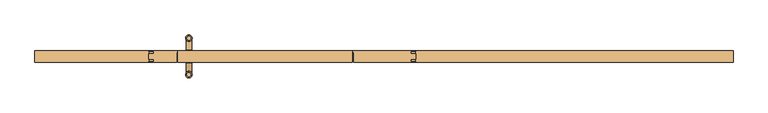
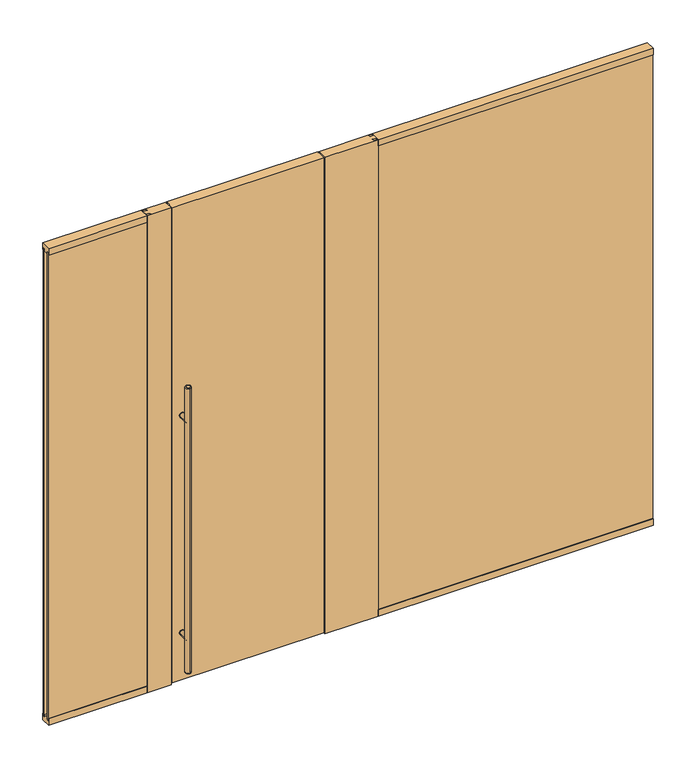
"""IFC4 building model written with IfcOpenShell, lengths in millimetres: door geometry."""

from ifc_helpers import new_model, si_unit, point, frame, frame_2d, origin, origin_with_axes, place, context, project, spatial, polyline, circle_curve, ellipse_curve, trimmed, segment, composite_curve, outline, extrude, faceted_brep, source, transform, mapped, element, save
from ifc_brep_helpers import plane_surface, cylinder_surface, revolved_surface, advanced_brep


def door_1d39785b(model_context):
    return source(origin(), model_context, "Body", "SolidModel", [
        extrude(outline(composite_curve([segment(trimmed(circle_curve(frame_2d((312.7375, -1022.35)), 15.875), [point((312.7375, -1006.475))], [point((312.7375, -1038.225))], False, "CARTESIAN"), True, "CONTINUOUS"), segment(trimmed(circle_curve(frame_2d((312.7375, -1022.35)), 15.875), [point((312.7375, -1038.225))], [point((312.7375, -1006.475))], False, "CARTESIAN"), True, "CONTINUOUS")], self_intersect=False)), frame((0.0, 30.1625, 0.0), z_axis=(0.0, 1.0, 0.0), x_axis=(0.0, 0.0, 1.0)), (0.0, 0.0, 1.0), 3.175),
        extrude(outline(composite_curve([segment(trimmed(circle_curve(frame_2d((1703.3875, -1022.35)), 15.875), [point((1703.3875, -1038.225))], [point((1703.3875, -1006.475))], False, "CARTESIAN"), True, "CONTINUOUS"), segment(trimmed(circle_curve(frame_2d((1703.3875, -1022.35)), 15.875), [point((1703.3875, -1006.475))], [point((1703.3875, -1038.225))], False, "CARTESIAN"), True, "CONTINUOUS")], self_intersect=False)), frame((0.0, 30.1625, 0.0), z_axis=(0.0, 1.0, 0.0), x_axis=(0.0, 0.0, 1.0)), (0.0, 0.0, 1.0), 3.175),
        extrude(outline(composite_curve([segment(trimmed(circle_curve(frame_2d((312.7375, -1022.35)), 15.875), [point((312.7375, -1006.475))], [point((312.7375, -1038.225))], False, "CARTESIAN"), True, "CONTINUOUS"), segment(trimmed(circle_curve(frame_2d((312.7375, -1022.35)), 15.875), [point((312.7375, -1038.225))], [point((312.7375, -1006.475))], False, "CARTESIAN"), True, "CONTINUOUS")], self_intersect=False)), frame((0.0, -33.3375, 0.0), z_axis=(0.0, 1.0, 0.0), x_axis=(0.0, 0.0, 1.0)), (0.0, 0.0, 1.0), 3.175),
        extrude(outline(composite_curve([segment(trimmed(circle_curve(frame_2d((1703.3875, -1022.35)), 15.875), [point((1703.3875, -1006.475))], [point((1703.3875, -1038.225))], False, "CARTESIAN"), True, "CONTINUOUS"), segment(trimmed(circle_curve(frame_2d((1703.3875, -1022.35)), 15.875), [point((1703.3875, -1038.225))], [point((1703.3875, -1006.475))], False, "CARTESIAN"), True, "CONTINUOUS")], self_intersect=False)), frame((0.0, -33.3375, 0.0), z_axis=(0.0, 1.0, 0.0), x_axis=(0.0, 0.0, 1.0)), (0.0, 0.0, 1.0), 3.175),
        extrude(outline(composite_curve([segment(trimmed(circle_curve(frame_2d((312.7375, -1022.35)), 14.2875), [point((312.7375, -1036.6375))], [point((312.7375, -1008.0625))], False, "CARTESIAN"), True, "CONTINUOUS"), segment(trimmed(circle_curve(frame_2d((312.7375, -1022.35)), 14.2875), [point((312.7375, -1008.0625))], [point((312.7375, -1036.6375))], False, "CARTESIAN"), True, "CONTINUOUS")], self_intersect=False)), frame((0.0, -95.25, 0.0), z_axis=(0.0, 1.0, 0.0), x_axis=(0.0, 0.0, 1.0)), (0.0, 0.0, 1.0), 65.0875),
        extrude(outline(composite_curve([segment(trimmed(circle_curve(frame_2d((1703.3875, -1022.35)), 14.2875), [point((1703.3875, -1036.6375))], [point((1703.3875, -1008.0625))], False, "CARTESIAN"), True, "CONTINUOUS"), segment(trimmed(circle_curve(frame_2d((1703.3875, -1022.35)), 14.2875), [point((1703.3875, -1008.0625))], [point((1703.3875, -1036.6375))], False, "CARTESIAN"), True, "CONTINUOUS")], self_intersect=False)), frame((0.0, -95.25, 0.0), z_axis=(0.0, 1.0, 0.0), x_axis=(0.0, 0.0, 1.0)), (0.0, 0.0, 1.0), 65.0875),
        advanced_brep(
        [(-1022.35, 84.455, 1924.05), (-1022.35, 106.045, 1924.05), (-1022.35, 106.045, 95.25), (-1022.35, 84.455, 95.25), (-1022.35, 112.395, 101.6), (-1022.35, 78.105, 101.6), (-1022.35, 78.105, 1917.7), (-1022.35, 112.395, 1917.7)],
        [
            (0, 1, circle_curve(frame((-1022.35, 95.25, 1924.05), z_axis=(0.0, 0.0, 1.0), x_axis=(0.0, -1.0, 0.0)), 10.795)),
            (1, 0, circle_curve(frame((-1022.35, 95.25, 1924.05), z_axis=(0.0, 0.0, 1.0), x_axis=(0.0, -1.0, 0.0)), 10.795)),
            (2, 3, circle_curve(frame((-1022.35, 95.25, 95.25), z_axis=(0.0, 0.0, -1.0), x_axis=(0.0, -1.0, 0.0)), 10.795)),
            (3, 2, circle_curve(frame((-1022.35, 95.25, 95.25), z_axis=(0.0, 0.0, -1.0), x_axis=(0.0, -1.0, 0.0)), 10.795)),
            (4, 5, circle_curve(frame((-1022.35, 95.25, 101.6), z_axis=(0.0, 0.0, 1.0), x_axis=(0.0, -1.0, 0.0)), 17.145)),
            (5, 6),
            (6, 7, circle_curve(frame((-1022.35, 95.25, 1917.7), z_axis=(0.0, 0.0, -1.0), x_axis=(0.0, -1.0, 0.0)), 17.145)),
            (7, 4),
            (5, 4, circle_curve(frame((-1022.35, 95.25, 101.6), z_axis=(0.0, 0.0, 1.0), x_axis=(0.0, -1.0, 0.0)), 17.145)),
            (7, 6, circle_curve(frame((-1022.35, 95.25, 1917.7), z_axis=(0.0, 0.0, -1.0), x_axis=(0.0, -1.0, 0.0)), 17.145)),
            (2, 4, circle_curve(frame((-1022.35, 106.045, 101.6), z_axis=(1.0, 0.0, 0.0), x_axis=(0.0, 1.0, 0.0)), 6.35)),
            (5, 3, circle_curve(frame((-1022.35, 84.455, 101.6), z_axis=(1.0, 0.0, 0.0), x_axis=(0.0, -1.0, 0.0)), 6.35)),
            (7, 1, circle_curve(frame((-1022.35, 106.045, 1917.7), z_axis=(1.0, 0.0, 0.0), x_axis=(0.0, 1.0, 0.0)), 6.35)),
            (0, 6, circle_curve(frame((-1022.35, 84.455, 1917.7), z_axis=(1.0, 0.0, 0.0), x_axis=(0.0, -1.0, 0.0)), 6.35)),
        ],
        [
            plane_surface(frame((-1022.35, -112.395, 1924.05), z_axis=(0.0, 0.0, 1.0), x_axis=(1.0, 0.0, 0.0))),
            plane_surface(frame((-1022.35, -112.395, 95.25), z_axis=(0.0, 0.0, -1.0), x_axis=(-1.0, 0.0, 0.0))),
            cylinder_surface(frame((-1022.35, 95.25, 95.25), z_axis=(0.0, 0.0, 1.0), x_axis=(0.0, -1.0, 0.0)), 17.145),
            revolved_surface(trimmed(ellipse_curve(frame((-1022.35, 84.455, 101.6), z_axis=(-1.0, 0.0, 0.0), x_axis=(0.0, -1.0, 0.0)), 6.35, 6.35), [point((-1022.35, 84.455, 95.25))], [point((-1022.35, 78.105, 101.6))], True, "CARTESIAN"), (-1022.35, 95.25, 2533.65), (0.0, 0.0, 1.0)),
            revolved_surface(trimmed(ellipse_curve(frame((-1022.35, 84.455, 1917.7), z_axis=(-1.0, 0.0, 0.0), x_axis=(0.0, -1.0, 0.0)), 6.35, 6.35), [point((-1022.35, 78.105, 1917.7))], [point((-1022.35, 84.455, 1924.05))], True, "CARTESIAN"), (-1022.35, 95.25, -514.35), (0.0, 0.0, 1.0)),
        ],
        [
            (0, [[1, 2]]),
            (1, [[3, 4]]),
            (2, [[5, 6, 7, 8]]),
            (2, [[9, -8, 10, -6]]),
            (3, [[11, -9, 12, -3]]),
            (3, [[-11, -4, -12, -5]]),
            (4, [[13, -1, 14, -10]]),
            (4, [[-13, -7, -14, -2]]),
        ],
    ),
        advanced_brep(
        [(-1022.35, -106.045, 1924.05), (-1022.35, -84.455, 1924.05), (-1022.35, -84.455, 95.25), (-1022.35, -106.045, 95.25), (-1022.35, -78.105, 101.6), (-1022.35, -112.395, 101.6), (-1022.35, -112.395, 1917.7), (-1022.35, -78.105, 1917.7)],
        [
            (0, 1, circle_curve(frame((-1022.35, -95.25, 1924.05), z_axis=(0.0, 0.0, 1.0), x_axis=(0.0, 1.0, 0.0)), 10.795)),
            (1, 0, circle_curve(frame((-1022.35, -95.25, 1924.05), z_axis=(0.0, 0.0, 1.0), x_axis=(0.0, 1.0, 0.0)), 10.795)),
            (2, 3, circle_curve(frame((-1022.35, -95.25, 95.25), z_axis=(0.0, 0.0, -1.0), x_axis=(0.0, 1.0, 0.0)), 10.795)),
            (3, 2, circle_curve(frame((-1022.35, -95.25, 95.25), z_axis=(0.0, 0.0, -1.0), x_axis=(0.0, 1.0, 0.0)), 10.795)),
            (4, 5, circle_curve(frame((-1022.35, -95.25, 101.6), z_axis=(0.0, 0.0, 1.0), x_axis=(0.0, -1.0, 0.0)), 17.145)),
            (5, 6),
            (6, 7, circle_curve(frame((-1022.35, -95.25, 1917.7), z_axis=(0.0, 0.0, -1.0), x_axis=(0.0, -1.0, 0.0)), 17.145)),
            (7, 4),
            (5, 4, circle_curve(frame((-1022.35, -95.25, 101.6), z_axis=(0.0, 0.0, 1.0), x_axis=(0.0, -1.0, 0.0)), 17.145)),
            (7, 6, circle_curve(frame((-1022.35, -95.25, 1917.7), z_axis=(0.0, 0.0, -1.0), x_axis=(0.0, -1.0, 0.0)), 17.145)),
            (5, 3, circle_curve(frame((-1022.35, -106.045, 101.6), z_axis=(1.0, 0.0, 0.0), x_axis=(0.0, -1.0, 0.0)), 6.35)),
            (2, 4, circle_curve(frame((-1022.35, -84.455, 101.6), z_axis=(1.0, 0.0, 0.0), x_axis=(0.0, 1.0, 0.0)), 6.35)),
            (0, 6, circle_curve(frame((-1022.35, -106.045, 1917.7), z_axis=(1.0, 0.0, 0.0), x_axis=(0.0, -1.0, 0.0)), 6.35)),
            (7, 1, circle_curve(frame((-1022.35, -84.455, 1917.7), z_axis=(1.0, 0.0, 0.0), x_axis=(0.0, 1.0, 0.0)), 6.35)),
        ],
        [
            plane_surface(frame((-1022.35, -112.395, 1924.05), z_axis=(0.0, 0.0, 1.0), x_axis=(1.0, 0.0, 0.0))),
            plane_surface(frame((-1022.35, -112.395, 95.25), z_axis=(0.0, 0.0, -1.0), x_axis=(-1.0, 0.0, 0.0))),
            cylinder_surface(frame((-1022.35, -95.25, 95.25), z_axis=(0.0, 0.0, 1.0), x_axis=(0.0, -1.0, 0.0)), 17.145),
            revolved_surface(trimmed(ellipse_curve(frame((-1022.35, -84.455, 101.6), z_axis=(-1.0, 0.0, 0.0), x_axis=(0.0, 1.0, 0.0)), 6.35, 6.35), [point((-1022.35, -78.105, 101.6))], [point((-1022.35, -84.455, 95.25))], True, "CARTESIAN"), (-1022.35, -95.25, 2533.65), (0.0, 0.0, -1.0)),
            revolved_surface(trimmed(ellipse_curve(frame((-1022.35, -84.455, 1917.7), z_axis=(-1.0, 0.0, 0.0), x_axis=(0.0, 1.0, 0.0)), 6.35, 6.35), [point((-1022.35, -84.455, 1924.05))], [point((-1022.35, -78.105, 1917.7))], True, "CARTESIAN"), (-1022.35, -95.25, -514.35), (0.0, 0.0, -1.0)),
        ],
        [
            (0, [[1, 2]]),
            (1, [[3, 4]]),
            (2, [[5, 6, 7, 8]]),
            (2, [[9, -8, 10, -6]]),
            (3, [[11, -3, 12, -9]]),
            (3, [[-11, -5, -12, -4]]),
            (4, [[13, -10, 14, -1]]),
            (4, [[-13, -2, -14, -7]]),
        ],
    ),
        extrude(outline(composite_curve([segment(trimmed(circle_curve(frame_2d((312.7375, -1022.35)), 14.2875), [point((312.7375, -1036.6375))], [point((312.7375, -1008.0625))], False, "CARTESIAN"), True, "CONTINUOUS"), segment(trimmed(circle_curve(frame_2d((312.7375, -1022.35)), 14.2875), [point((312.7375, -1008.0625))], [point((312.7375, -1036.6375))], False, "CARTESIAN"), True, "CONTINUOUS")], self_intersect=False)), frame((0.0, 30.1625, 0.0), z_axis=(0.0, 1.0, 0.0), x_axis=(0.0, 0.0, 1.0)), (0.0, 0.0, 1.0), 65.0875),
        extrude(outline(composite_curve([segment(trimmed(circle_curve(frame_2d((1703.3875, -1022.35)), 14.2875), [point((1703.3875, -1036.6375))], [point((1703.3875, -1008.0625))], False, "CARTESIAN"), True, "CONTINUOUS"), segment(trimmed(circle_curve(frame_2d((1703.3875, -1022.35)), 14.2875), [point((1703.3875, -1008.0625))], [point((1703.3875, -1036.6375))], False, "CARTESIAN"), True, "CONTINUOUS")], self_intersect=False)), frame((0.0, 30.1625, 0.0), z_axis=(0.0, 1.0, 0.0), x_axis=(0.0, 0.0, 1.0)), (0.0, 0.0, 1.0), 65.0875),
        extrude(outline(polyline([(1828.8, -14.2875), (1828.8, -26.9875), (139.7, -26.9875), (139.7, -14.2875), (1828.8, -14.2875)])), frame((0.0, 0.0, 28.575), z_axis=(0.0, 0.0, 1.0), x_axis=(1.0, 0.0, 0.0)), (0.0, 0.0, 1.0), 2990.85),
        extrude(outline(polyline([(-1828.8, -14.2875), (-1206.5, -14.2875), (-1206.5, -26.9875), (-1828.8, -26.9875), (-1828.8, -14.2875)])), frame((0.0, 0.0, 28.575), z_axis=(0.0, 0.0, 1.0), x_axis=(1.0, 0.0, 0.0)), (0.0, 0.0, 1.0), 2990.85),
        faceted_brep([(-165.1, -30.1625, 3048.0), (-165.1, -30.1625, 9.525), (-165.1, 17.4625, 9.525), (-165.1, 17.4625, 3006.725), (-165.1, 14.2875, 3006.725), (-165.1, 14.2875, 3019.425), (-165.1, 17.4625, 3019.425), (-165.1, 17.4625, 3009.9), (-165.1, 30.1625, 3009.9), (-165.1, 30.1625, 3048.0), (-174.625, 17.4625, 9.525), (-174.625, 17.4625, 3006.725), (-174.625, 30.1625, 9.525), (-1079.5, -30.1625, 9.525), (-1079.5, 17.4625, 9.525), (-1069.975, 17.4625, 9.525), (-1069.975, 30.1625, 9.525), (-1079.5, -30.1625, 3048.0), (-1079.5, 17.4625, 3009.9), (-1079.5, 17.4625, 3019.425), (-1079.5, 14.2875, 3019.425), (-1079.5, 14.2875, 3006.725), (-1079.5, 17.4625, 3006.725), (-1079.5, 30.1625, 3048.0), (-1079.5, 30.1625, 3009.9), (-1069.975, 17.4625, 3006.725), (-1069.975, 30.1625, 3006.725), (-174.625, 30.1625, 3006.725)], [[[0, 1, 2, 3, 4, 5, 6, 7, 8, 9]], [[10, 11, 3, 2]], [[12, 10, 2, 1, 13, 14, 15, 16]], [[17, 13, 1, 0]], [[18, 19, 20, 21, 22, 14, 13, 17, 23, 24]], [[14, 22, 25, 15]], [[16, 26, 27, 12]], [[24, 23, 9, 8]], [[12, 27, 11, 10]], [[15, 25, 26, 16]], [[9, 23, 17, 0]], [[7, 18, 24, 8]], [[19, 18, 7, 6]], [[6, 5, 20, 19]], [[21, 20, 5, 4]], [[4, 3, 11, 27, 26, 25, 22, 21]]]),
        extrude(outline(polyline([(-1828.8, 14.2875), (-1828.8, 26.9875), (-1206.5, 26.9875), (-1206.5, 14.2875), (-1828.8, 14.2875)])), frame((0.0, 0.0, 28.575), z_axis=(0.0, 0.0, 1.0), x_axis=(1.0, 0.0, 0.0)), (0.0, 0.0, 1.0), 2990.85),
        extrude(outline(polyline([(1828.8, 14.2875), (139.7, 14.2875), (139.7, 26.9875), (1828.8, 26.9875), (1828.8, 14.2875)])), frame((0.0, 0.0, 28.575), z_axis=(0.0, 0.0, 1.0), x_axis=(1.0, 0.0, 0.0)), (0.0, 0.0, 1.0), 2990.85),
        extrude(outline(polyline([(-168.275, 30.1625), (165.1, 30.1625), (165.1, 26.9875), (139.7, 26.9875), (139.7, 14.2875), (165.1, 14.2875), (165.1, -14.2875), (139.7, -14.2875), (139.7, -26.9875), (165.1, -26.9875), (165.1, -30.1625), (-158.75, -30.1625), (-158.75, 20.6375), (-168.275, 20.6375), (-168.275, 30.1625)])), origin_with_axes(), (0.0, 0.0, 1.0), 3048.0),
        extrude(outline(polyline([(-1231.9, -26.9875), (-1206.5, -26.9875), (-1206.5, -14.2875), (-1231.9, -14.2875), (-1231.9, 14.2875), (-1206.5, 14.2875), (-1206.5, 26.9875), (-1231.9, 26.9875), (-1231.9, 30.1625), (-1076.325, 30.1625), (-1076.325, 20.6375), (-1085.85, 20.6375), (-1085.85, -30.1625), (-1231.9, -30.1625), (-1231.9, -26.9875)])), origin_with_axes(), (0.0, 0.0, 1.0), 3048.0),
        extrude(outline(polyline([(-30.1625, 3048.0), (30.1625, 3048.0), (30.1625, 3006.725), (26.9875, 3006.725), (26.9875, 3019.425), (14.2875, 3019.425), (14.2875, 3006.725), (-14.2875, 3006.725), (-14.2875, 3019.425), (-26.9875, 3019.425), (-26.9875, 3006.725), (-30.1625, 3006.725), (-30.1625, 3048.0)])), frame((-1828.8, 0.0, 0.0), z_axis=(1.0, 0.0, 0.0), x_axis=(0.0, 1.0, 0.0)), (0.0, 0.0, 1.0), 596.9),
        extrude(outline(polyline([(-30.1625, 3048.0), (30.1625, 3048.0), (30.1625, 3006.725), (26.9875, 3006.725), (26.9875, 3019.425), (14.2875, 3019.425), (14.2875, 3006.725), (-14.2875, 3006.725), (-14.2875, 3019.425), (-26.9875, 3019.425), (-26.9875, 3006.725), (-30.1625, 3006.725), (-30.1625, 3048.0)])), frame((165.1, 0.0, 0.0), z_axis=(1.0, 0.0, 0.0), x_axis=(0.0, 1.0, 0.0)), (0.0, 0.0, 1.0), 1663.7),
        extrude(outline(polyline([(-30.1625, 0.0), (-30.1625, 41.275), (-26.9875, 41.275), (-26.9875, 28.575), (-14.2875, 28.575), (-14.2875, 41.275), (14.2875, 41.275), (14.2875, 28.575), (26.9875, 28.575), (26.9875, 41.275), (30.1625, 41.275), (30.1625, 0.0), (-30.1625, 0.0)])), frame((-1828.8, 0.0, 0.0), z_axis=(1.0, 0.0, 0.0), x_axis=(0.0, 1.0, 0.0)), (0.0, 0.0, 1.0), 596.9),
        extrude(outline(polyline([(-30.1625, 0.0), (-30.1625, 41.275), (-26.9875, 41.275), (-26.9875, 28.575), (-14.2875, 28.575), (-14.2875, 41.275), (14.2875, 41.275), (14.2875, 28.575), (26.9875, 28.575), (26.9875, 41.275), (30.1625, 41.275), (30.1625, 0.0), (-30.1625, 0.0)])), frame((165.1, 0.0, 0.0), z_axis=(1.0, 0.0, 0.0), x_axis=(0.0, 1.0, 0.0)), (0.0, 0.0, 1.0), 1663.7),
    ])


if __name__ == "__main__":
    model = new_model("IFC4")
    model_context = context("Model", 3, world=origin())
    ifc_project = project(units=[si_unit("LENGTHUNIT", "METRE", prefix="MILLI")], contexts=[model_context])
    site = spatial("IfcSite", under=ifc_project)
    building = spatial("IfcBuilding", under=site)
    placement = place(None, origin())
    door_shape = door_1d39785b(model_context)
    element("IfcDoor", 1, at=placement, inside=building, context=model_context, shape_type="MappedRepresentation", body=[
        mapped(door_shape, transform((0.0, 0.0, 0.0), x_axis=(1.0, 0.0, 0.0), y_axis=(0.0, 1.0, 0.0), z_axis=(0.0, 0.0, 1.0))),
    ])
    save(model, "model.ifc")
